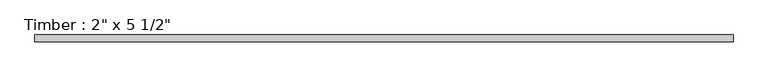
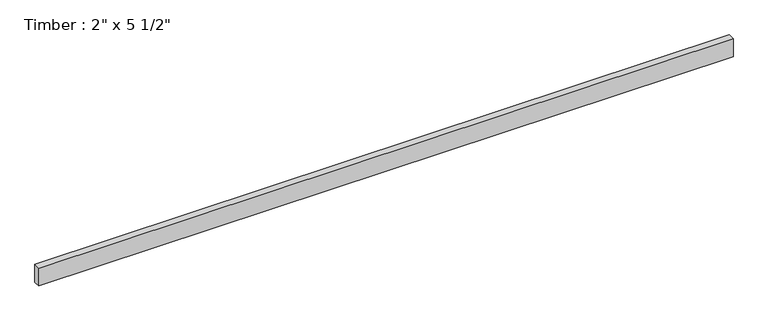
"""IFC4 building model written with IfcOpenShell, lengths in millimetres: beam geometry."""

from ifc_helpers import new_model, si_unit, frame, origin, place, context, project, spatial, polyline, outline, extrude, source, transform, mapped, element, save


def beam_598374ba(model_context):
    return source(origin(), model_context, "Body", "SweptSolid", [
        extrude(outline(polyline([(2588.019408, 25.4), (2588.019408, -25.4), (-2588.019408, -25.4), (-2588.019408, 25.4), (2588.019408, 25.4)])), frame((0.0, 0.0, -69.85), z_axis=(0.0, 0.0, 1.0), x_axis=(1.0, 0.0, 0.0)), (0.0, 0.0, 1.0), 139.7),
    ])


if __name__ == "__main__":
    model = new_model("IFC4")
    model_context = context("Model", 3, world=origin())
    ifc_project = project(units=[si_unit("LENGTHUNIT", "METRE", prefix="MILLI")], contexts=[model_context])
    site = spatial("IfcSite", under=ifc_project)
    building = spatial("IfcBuilding", under=site)
    placement = place(None, origin())
    beam_shape = beam_598374ba(model_context)
    element("IfcBeam", 1, ObjectType="Timber : 2\" x 5 1/2\"", at=placement, inside=building, context=model_context, shape_type="MappedRepresentation", body=[
        mapped(beam_shape, transform((0.0, 0.0, 0.0), x_axis=(1.0, 0.0, 0.0), y_axis=(0.0, 1.0, 0.0), z_axis=(0.0, 0.0, 1.0))),
    ])
    save(model, "model.ifc")
